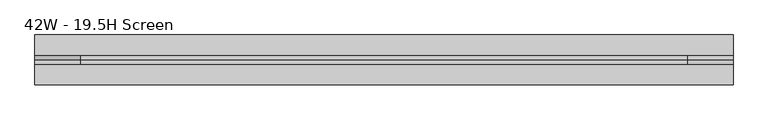
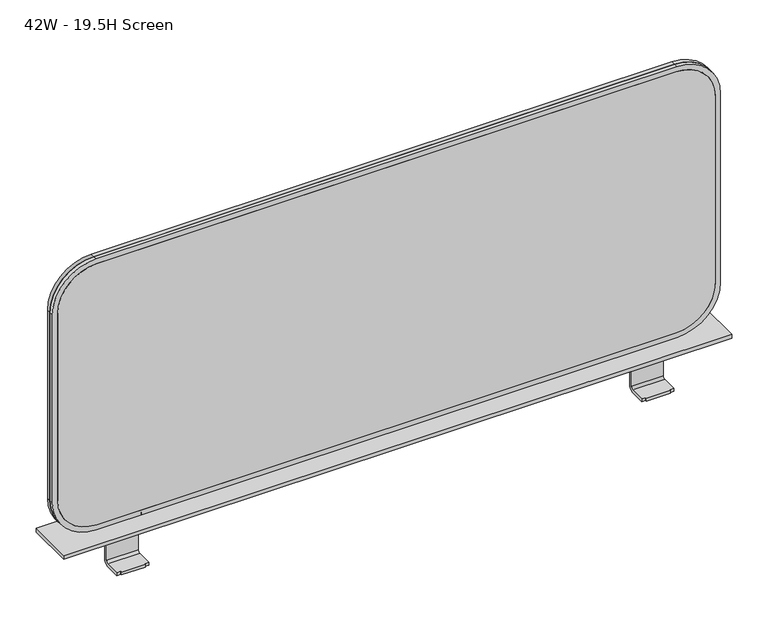
"""IFC4 building model written with IfcOpenShell, lengths in millimetres: furniture geometry, 42W - 19.5H Screen."""

from ifc_helpers import new_model, si_unit, point, frame, frame_2d, origin, place, context, project, spatial, polyline, circle_curve, trimmed, segment, composite_curve, outline, extrude, source, transform, mapped, element, save
from ifc_brep_helpers import plane_surface, cylinder_surface, revolved_surface, advanced_brep


def furniture_42w_19_5h_screen_ccce903b(model_context):
    return source(origin(), model_context, "Body", "SolidModel", [
        advanced_brep(
        [(-444.5000232, 2.4115568, 1012.8475892), (-444.5000232, -6.4788051, 1003.9572273), (-444.5000232, -30.9188868, 1003.9572273), (-444.5000232, -30.9188868, 1008.7826083), (-444.5000232, -6.0706854, 1008.7826083), (-444.5000232, -2.4144376, 1012.4388561), (-444.5000232, -2.4144376, 1073.15), (-444.5000232, 2.4115568, 1073.15), (-393.7000232, 2.4115568, 1012.8475892), (-393.7000232, 2.4115568, 1073.15), (-393.7000232, -2.4144376, 1073.15), (-393.7000232, -2.4144376, 1012.4388561), (-393.7000232, -6.0706854, 1008.7826083), (-393.7000232, -30.9188868, 1008.7826083), (-393.7000232, -30.9188868, 1003.9572273), (-393.7000232, -6.4788051, 1003.9572273), (-438.1500232, -30.9188868, 1008.7826083), (-438.1500232, -32.6945411, 1008.7826083), (-400.0500232, -32.6945411, 1008.7826083), (-400.0500232, -30.9188868, 1008.7826083), (-438.1500232, -32.6945351, 1003.9572273), (-400.0500232, -32.6945351, 1003.9572273), (-400.0500232, -30.9188868, 1003.9572273), (-438.1500232, -30.9188868, 1003.9572273)],
        [
            (0, 1, circle_curve(frame((-444.5000232, -6.4788051, 1012.8475892), z_axis=(-1.0, 0.0, 0.0), x_axis=(0.0, 1.0, 0.0)), 8.8903619)),
            (1, 2),
            (2, 3),
            (3, 4),
            (4, 5, circle_curve(frame((-444.5000232, -6.0706854, 1012.4388561), z_axis=(1.0, 0.0, 0.0), x_axis=(0.0, 1.0, 0.0)), 3.6562478)),
            (5, 6),
            (6, 7),
            (7, 0),
            (8, 9),
            (9, 10),
            (10, 11),
            (11, 12, circle_curve(frame((-393.7000232, -6.0706854, 1012.4388561), z_axis=(-1.0, 0.0, 0.0), x_axis=(0.0, 1.0, 0.0)), 3.6562478)),
            (12, 13),
            (13, 14),
            (14, 15),
            (15, 8, circle_curve(frame((-393.7000232, -6.4788051, 1012.8475892), z_axis=(1.0, 0.0, 0.0), x_axis=(0.0, 1.0, 0.0)), 8.8903619)),
            (7, 9),
            (8, 0),
            (6, 10),
            (5, 11),
            (4, 12),
            (3, 16),
            (16, 17),
            (17, 18),
            (18, 19),
            (19, 13),
            (17, 20),
            (20, 21),
            (21, 18),
            (1, 15),
            (14, 22),
            (22, 21),
            (20, 23),
            (23, 2),
            (16, 23),
            (19, 22),
        ],
        [
            plane_surface(frame((-444.5000232, 2.4115568, 1012.8475892), z_axis=(-1.0, 0.0, 0.0), x_axis=(0.0, 0.0, -1.0))),
            plane_surface(frame((-393.7000232, 2.4115568, 1012.8475892), z_axis=(1.0, 0.0, 0.0), x_axis=(0.0, 0.0, 1.0))),
            plane_surface(frame((-444.5000232, 2.4115568, 1073.15), z_axis=(0.0, 1.0, 0.0), x_axis=(1.0, 0.0, 0.0))),
            plane_surface(frame((-444.5000232, -2.4144376, 1073.15), z_axis=(0.0, 0.0, 1.0), x_axis=(1.0, 0.0, 0.0))),
            plane_surface(frame((-444.5000232, -2.4144376, 1012.4388561), z_axis=(0.0, -1.0, 0.0), x_axis=(1.0, 0.0, 0.0))),
            revolved_surface(polyline([(-393.7000232, -2.4144376000000003, 1012.4388561), (-444.5000232, -2.4144376000000003, 1012.4388561)]), (-393.7000232, -6.0706854, 1012.4388561), (1.0, 0.0, 0.0)),
            plane_surface(frame((-444.5000232, -32.6945411, 1008.7826083), z_axis=(0.0, 0.0, 1.0), x_axis=(1.0, 0.0, 0.0))),
            plane_surface(frame((-444.5000232, -32.6945351, 1003.9572273), z_axis=(0.0, -0.9999999999992129, -1.2548316943467694e-06), x_axis=(1.0, 0.0, 0.0))),
            plane_surface(frame((-444.5000232, -6.4788051, 1003.9572273), z_axis=(0.0, 0.0, -1.0), x_axis=(1.0, 0.0, 0.0))),
            cylinder_surface(frame((-393.7000232, -6.4788051, 1012.8475892), z_axis=(-1.0, 0.0, 0.0), x_axis=(0.0, 1.0, 0.0)), 8.8903619),
            plane_surface(frame((-438.1500232, -107.1188868, 1430.7560196), z_axis=(-1.0, 0.0, 0.0), x_axis=(0.0, 0.0, -1.0))),
            plane_surface(frame((-438.1500232, -30.9188868, 1430.7560196), z_axis=(0.0, -1.0, 0.0), x_axis=(0.0, 0.0, -1.0))),
            plane_surface(frame((-393.7000232, -30.9188868, 1430.7560196), z_axis=(0.0, -1.0, 0.0), x_axis=(0.0, 0.0, -1.0))),
            plane_surface(frame((-400.0500232, -30.9188868, 1430.7560196), z_axis=(1.0, 0.0, 0.0), x_axis=(0.0, 0.0, -1.0))),
        ],
        [
            (0, [[1, 2, 3, 4, 5, 6, 7, 8]]),
            (1, [[9, 10, 11, 12, 13, 14, 15, 16]]),
            (2, [[-8, 17, -9, 18]]),
            (3, [[-7, 19, -10, -17]]),
            (4, [[-6, 20, -11, -19]]),
            (5, [[-5, 21, -12, -20]]),
            (6, [[-21, -4, 22, 23, 24, 25, 26, -13]]),
            (7, [[-24, 27, 28, 29]]),
            (8, [[30, -15, 31, 32, -28, 33, 34, -2]]),
            (9, [[-1, -18, -16, -30]]),
            (10, [[35, -33, -27, -23]]),
            (11, [[-35, -22, -3, -34]]),
            (12, [[36, -31, -14, -26]]),
            (13, [[-36, -25, -29, -32]]),
        ],
    ),
        advanced_brep(
        [(444.4999768, 2.4115568, 1012.8475892), (444.4999768, 2.4115568, 1073.15), (444.4999768, -2.4144376, 1073.15), (444.4999768, -2.4144376, 1012.4388561), (444.4999768, -6.0706854, 1008.7826083), (444.4999768, -30.9188868, 1008.7826083), (444.4999768, -30.9188868, 1003.9572273), (444.4999768, -6.4788051, 1003.9572273), (393.6999768, 2.4115568, 1012.8475892), (393.6999768, -6.4788051, 1003.9572273), (393.6999768, -30.9188868, 1003.9572273), (393.6999768, -30.9188868, 1008.7826083), (393.6999768, -6.0706854, 1008.7826083), (393.6999768, -2.4144376, 1012.4388561), (393.6999768, -2.4144376, 1073.15), (393.6999768, 2.4115568, 1073.15), (400.0500232, -30.9188868, 1008.7826083), (400.0500232, -32.6945411, 1008.7826083), (438.1500232, -32.6945411, 1008.7826083), (438.1500232, -30.9188868, 1008.7826083), (400.0500232, -32.6945351, 1003.9572273), (438.1500232, -32.6945351, 1003.9572273), (438.1500232, -30.9188868, 1003.9572273), (400.0500232, -30.9188868, 1003.9572273)],
        [
            (0, 1),
            (1, 2),
            (2, 3),
            (3, 4, circle_curve(frame((444.4999768, -6.0706854, 1012.4388561), z_axis=(-1.0, 0.0, 0.0), x_axis=(0.0, 1.0, 0.0)), 3.6562478)),
            (4, 5),
            (5, 6),
            (6, 7),
            (7, 0, circle_curve(frame((444.4999768, -6.4788051, 1012.8475892), z_axis=(1.0, 0.0, 0.0), x_axis=(0.0, 1.0, 0.0)), 8.8903619)),
            (8, 9, circle_curve(frame((393.6999768, -6.4788051, 1012.8475892), z_axis=(-1.0, 0.0, 0.0), x_axis=(0.0, 1.0, 0.0)), 8.8903619)),
            (9, 10),
            (10, 11),
            (11, 12),
            (12, 13, circle_curve(frame((393.6999768, -6.0706854, 1012.4388561), z_axis=(1.0, 0.0, 0.0), x_axis=(0.0, 1.0, 0.0)), 3.6562478)),
            (13, 14),
            (14, 15),
            (15, 8),
            (0, 8),
            (15, 1),
            (14, 2),
            (13, 3),
            (12, 4),
            (11, 16),
            (16, 17),
            (17, 18),
            (18, 19),
            (19, 5),
            (17, 20),
            (20, 21),
            (21, 18),
            (9, 7),
            (6, 22),
            (22, 21),
            (20, 23),
            (23, 10),
            (19, 22),
            (16, 23),
        ],
        [
            plane_surface(frame((444.4999768, 2.4115568, 1073.15), z_axis=(1.0, 0.0, 0.0), x_axis=(0.0, 0.0, 1.0))),
            plane_surface(frame((393.6999768, 2.4115568, 1073.15), z_axis=(-1.0, 0.0, 0.0), x_axis=(0.0, 0.0, -1.0))),
            plane_surface(frame((444.4999768, 2.4115568, 1012.8475892), z_axis=(0.0, 1.0, 0.0), x_axis=(-1.0, 0.0, 0.0))),
            plane_surface(frame((444.4999768, 2.4115568, 1073.15), z_axis=(0.0, 0.0, 1.0), x_axis=(-1.0, 0.0, 0.0))),
            plane_surface(frame((444.4999768, -2.4144376, 1073.15), z_axis=(0.0, -1.0, 0.0), x_axis=(-1.0, 0.0, 0.0))),
            revolved_surface(polyline([(393.6999768, -2.4144376000000003, 1012.4388561), (444.4999768, -2.4144376000000003, 1012.4388561)]), (393.6999768, -6.0706854, 1012.4388561), (-1.0, 0.0, 0.0)),
            plane_surface(frame((444.4999768, -6.0706854, 1008.7826083), z_axis=(0.0, 0.0, 1.0), x_axis=(-1.0, 0.0, 0.0))),
            plane_surface(frame((444.4999768, -32.6945411, 1008.7826083), z_axis=(0.0, -0.9999999999992129, -1.2548316943467694e-06), x_axis=(-1.0, 0.0, 0.0))),
            plane_surface(frame((444.4999768, -32.6945351, 1003.9572273), z_axis=(0.0, 0.0, -1.0), x_axis=(-1.0, 0.0, 0.0))),
            cylinder_surface(frame((393.6999768, -6.4788051, 1012.8475892), z_axis=(1.0, 0.0, 0.0), x_axis=(0.0, 1.0, 0.0)), 8.8903619),
            plane_surface(frame((444.4999768, -30.9188868, 1430.7560196), z_axis=(0.0, -1.0, 0.0), x_axis=(0.0, 0.0, -1.0))),
            plane_surface(frame((438.1500232, -30.9188868, 1430.7560196), z_axis=(1.0, 0.0, 0.0), x_axis=(0.0, 0.0, -1.0))),
            plane_surface(frame((400.0500232, -107.1188868, 1430.7560196), z_axis=(-1.0, 0.0, 0.0), x_axis=(0.0, 0.0, -1.0))),
            plane_surface(frame((400.0500232, -30.9188868, 1430.7560196), z_axis=(0.0, -1.0, 0.0), x_axis=(0.0, 0.0, -1.0))),
        ],
        [
            (0, [[1, 2, 3, 4, 5, 6, 7, 8]]),
            (1, [[9, 10, 11, 12, 13, 14, 15, 16]]),
            (2, [[-1, 17, -16, 18]]),
            (3, [[-2, -18, -15, 19]]),
            (4, [[-3, -19, -14, 20]]),
            (5, [[-4, -20, -13, 21]]),
            (6, [[-21, -12, 22, 23, 24, 25, 26, -5]]),
            (7, [[-24, 27, 28, 29]]),
            (8, [[30, -7, 31, 32, -28, 33, 34, -10]]),
            (9, [[-8, -30, -9, -17]]),
            (10, [[35, -31, -6, -26]]),
            (11, [[-35, -25, -29, -32]]),
            (12, [[36, -33, -27, -23]]),
            (13, [[-36, -22, -11, -34]]),
        ],
    ),
        extrude(outline(composite_curve([segment(trimmed(circle_curve(frame_2d((1459.7798985, -462.7723701)), 62.1881015), [point((1521.968, -462.7723701))], [point((1459.7798985, -524.9604715))], False, "CARTESIAN"), True, "CONTINUOUS"), segment(polyline([(1459.7798985, -524.9604715), (1143.8196506, -524.9604715)]), True, "CONTINUOUS"), segment(trimmed(circle_curve(frame_2d((1143.8196506, -462.7310034)), 62.2294681), [point((1143.8196506, -524.9604715))], [point((1081.5901825, -462.7310034))], False, "CARTESIAN"), True, "CONTINUOUS"), segment(polyline([(1081.5901825, -462.7310034), (1081.5901825, 462.7309571)]), True, "CONTINUOUS"), segment(trimmed(circle_curve(frame_2d((1143.819697, 462.7309571)), 62.2295145), [point((1081.5901825, 462.7309571))], [point((1143.819697, 524.9604715))], False, "CARTESIAN"), True, "CONTINUOUS"), segment(polyline([(1143.819697, 524.9604715), (1459.7798522, 524.9604715)]), True, "CONTINUOUS"), segment(trimmed(circle_curve(frame_2d((1459.7798522, 462.7723237)), 62.1881478), [point((1459.7798522, 524.9604715))], [point((1521.968, 462.7723237))], False, "CARTESIAN"), True, "CONTINUOUS"), segment(polyline([(1521.968, 462.7723237), (1521.968, -462.7723701)]), True, "CONTINUOUS")], self_intersect=False)), frame((0.0, 0.0, 0.0), z_axis=(0.0, 1.0, 0.0), x_axis=(0.0, 0.0, 1.0)), (0.0, 0.0, 1.0), 6.6302155),
        extrude(outline(composite_curve([segment(polyline([(1530.35, 463.5504855), (1530.35, -463.5505319)]), True, "CONTINUOUS"), segment(trimmed(circle_curve(frame_2d((1460.5005319, -463.5505319)), 69.8494681), [point((1530.35, -463.5505319))], [point((1460.5005319, -533.4))], False, "CARTESIAN"), True, "CONTINUOUS"), segment(polyline([(1460.5005319, -533.4), (1142.9994681, -533.4)]), True, "CONTINUOUS"), segment(trimmed(circle_curve(frame_2d((1142.9994681, -463.5505319)), 69.8494681), [point((1142.9994681, -533.4))], [point((1073.15, -463.5505319))], False, "CARTESIAN"), True, "CONTINUOUS"), segment(polyline([(1073.15, -463.5505319), (1073.15, 463.5504855)]), True, "CONTINUOUS"), segment(trimmed(circle_curve(frame_2d((1142.9995145, 463.5504855)), 69.8495145), [point((1073.15, 463.5504855))], [point((1142.9995145, 533.4))], False, "CARTESIAN"), True, "CONTINUOUS"), segment(polyline([(1142.9995145, 533.4), (1460.5004855, 533.4)]), True, "CONTINUOUS"), segment(trimmed(circle_curve(frame_2d((1460.5004855, 463.5504855)), 69.8495145), [point((1460.5004855, 533.4))], [point((1530.35, 463.5504855))], False, "CARTESIAN"), True, "CONTINUOUS")], self_intersect=False), holes=[composite_curve([segment(polyline([(1081.5901825, 462.7309571), (1081.5901825, -462.7310034)]), True, "CONTINUOUS"), segment(trimmed(circle_curve(frame_2d((1143.8196506, -462.7310034)), 62.2294681), [point((1081.5901825, -462.7310034))], [point((1143.8196506, -524.9604715))], True, "CARTESIAN"), True, "CONTINUOUS"), segment(polyline([(1143.8196506, -524.9604715), (1459.7798985, -524.9604715)]), True, "CONTINUOUS"), segment(trimmed(circle_curve(frame_2d((1459.7798985, -462.7723701)), 62.1881015), [point((1459.7798985, -524.9604715))], [point((1521.968, -462.7723701))], True, "CARTESIAN"), True, "CONTINUOUS"), segment(polyline([(1521.968, -462.7723701), (1521.968, 462.7723237)]), True, "CONTINUOUS"), segment(trimmed(circle_curve(frame_2d((1459.7798522, 462.7723237)), 62.1881478), [point((1521.968, 462.7723237))], [point((1459.7798522, 524.9604715))], True, "CARTESIAN"), True, "CONTINUOUS"), segment(polyline([(1459.7798522, 524.9604715), (1143.819697, 524.9604715)]), True, "CONTINUOUS"), segment(trimmed(circle_curve(frame_2d((1143.819697, 462.7309571)), 62.2295145), [point((1143.819697, 524.9604715))], [point((1081.5901825, 462.7309571))], True, "CARTESIAN"), True, "CONTINUOUS")], self_intersect=False)]), frame((0.0, 0.0, 0.0), z_axis=(0.0, 1.0, 0.0), x_axis=(0.0, 0.0, 1.0)), (0.0, 0.0, 1.0), 6.6302155),
        extrude(outline(composite_curve([segment(trimmed(circle_curve(frame_2d((1143.819697, 462.7309571)), 62.2295145), [point((1081.5901825, 462.7309571))], [point((1143.819697, 524.9604715))], False, "CARTESIAN"), True, "CONTINUOUS"), segment(polyline([(1143.819697, 524.9604715), (1459.7798522, 524.9604715)]), True, "CONTINUOUS"), segment(trimmed(circle_curve(frame_2d((1459.7798522, 462.7723237)), 62.1881478), [point((1459.7798522, 524.9604715))], [point((1521.968, 462.7723237))], False, "CARTESIAN"), True, "CONTINUOUS"), segment(polyline([(1521.968, 462.7723237), (1521.968, -462.8381817)]), True, "CONTINUOUS"), segment(trimmed(circle_curve(frame_2d((1459.8457101, -462.8381817)), 62.1222899), [point((1521.968, -462.8381817))], [point((1459.8457101, -524.9604715))], False, "CARTESIAN"), True, "CONTINUOUS"), segment(polyline([(1459.8457101, -524.9604715), (1143.8196506, -524.9604715)]), True, "CONTINUOUS"), segment(trimmed(circle_curve(frame_2d((1143.8196506, -462.7310034)), 62.2294681), [point((1143.8196506, -524.9604715))], [point((1081.5901825, -462.7310034))], False, "CARTESIAN"), True, "CONTINUOUS"), segment(polyline([(1081.5901825, -462.7310034), (1081.5901825, 462.7309571)]), True, "CONTINUOUS")], self_intersect=False)), frame((0.0, -6.6302155, 0.0), z_axis=(0.0, 1.0, 0.0), x_axis=(0.0, 0.0, 1.0)), (0.0, 0.0, 1.0), 6.6302155),
        extrude(outline(composite_curve([segment(polyline([(1530.35, 463.5504855), (1530.35, -463.5505319)]), True, "CONTINUOUS"), segment(trimmed(circle_curve(frame_2d((1460.5005319, -463.5505319)), 69.8494681), [point((1530.35, -463.5505319))], [point((1460.5005319, -533.4))], False, "CARTESIAN"), True, "CONTINUOUS"), segment(polyline([(1460.5005319, -533.4), (1142.9994681, -533.4)]), True, "CONTINUOUS"), segment(trimmed(circle_curve(frame_2d((1142.9994681, -463.5505319)), 69.8494681), [point((1142.9994681, -533.4))], [point((1073.15, -463.5505319))], False, "CARTESIAN"), True, "CONTINUOUS"), segment(polyline([(1073.15, -463.5505319), (1073.15, 463.5504855)]), True, "CONTINUOUS"), segment(trimmed(circle_curve(frame_2d((1142.9995145, 463.5504855)), 69.8495145), [point((1073.15, 463.5504855))], [point((1142.9995145, 533.4))], False, "CARTESIAN"), True, "CONTINUOUS"), segment(polyline([(1142.9995145, 533.4), (1460.5004855, 533.4)]), True, "CONTINUOUS"), segment(trimmed(circle_curve(frame_2d((1460.5004855, 463.5504855)), 69.8495145), [point((1460.5004855, 533.4))], [point((1530.35, 463.5504855))], False, "CARTESIAN"), True, "CONTINUOUS")], self_intersect=False), holes=[composite_curve([segment(polyline([(1081.5901825, 462.7309571), (1081.5901825, -462.7310034)]), True, "CONTINUOUS"), segment(trimmed(circle_curve(frame_2d((1143.8196506, -462.7310034)), 62.2294681), [point((1081.5901825, -462.7310034))], [point((1143.8196506, -524.9604715))], True, "CARTESIAN"), True, "CONTINUOUS"), segment(polyline([(1143.8196506, -524.9604715), (1459.7798985, -524.9604715)]), True, "CONTINUOUS"), segment(trimmed(circle_curve(frame_2d((1459.7798985, -462.7723701)), 62.1881015), [point((1459.7798985, -524.9604715))], [point((1521.968, -462.7723701))], True, "CARTESIAN"), True, "CONTINUOUS"), segment(polyline([(1521.968, -462.7723701), (1521.968, 462.7723237)]), True, "CONTINUOUS"), segment(trimmed(circle_curve(frame_2d((1459.7798522, 462.7723237)), 62.1881478), [point((1521.968, 462.7723237))], [point((1459.7798522, 524.9604715))], True, "CARTESIAN"), True, "CONTINUOUS"), segment(polyline([(1459.7798522, 524.9604715), (1143.819697, 524.9604715)]), True, "CONTINUOUS"), segment(trimmed(circle_curve(frame_2d((1143.819697, 462.7309571)), 62.2295145), [point((1143.819697, 524.9604715))], [point((1081.5901825, 462.7309571))], True, "CARTESIAN"), True, "CONTINUOUS")], self_intersect=False)]), frame((0.0, -6.6302155, 0.0), z_axis=(0.0, 1.0, 0.0), x_axis=(0.0, 0.0, 1.0)), (0.0, 0.0, 1.0), 6.6302155),
        extrude(outline(polyline([(533.4, 38.1000194), (533.4, -38.1000194), (-533.4, -38.1000194), (-533.4, 38.1000194), (533.4, 38.1000194)]), holes=[composite_curve([segment(polyline([(-392.1191875, 4.442843), (-447.1221214, 4.442843)]), True, "CONTINUOUS"), segment(trimmed(circle_curve(frame_2d((-447.1221214, 0.4804667)), 3.9623763), [point((-447.1221214, 4.442843))], [point((-447.1221221, -3.4819096))], True, "CARTESIAN"), True, "CONTINUOUS"), segment(polyline([(-447.1221221, -3.4819096), (-392.1191882, -3.4819185)]), True, "CONTINUOUS"), segment(trimmed(circle_curve(frame_2d((-392.1191875, 0.4804622)), 3.9623808), [point((-392.1191882, -3.4819185))], [point((-392.1191875, 4.442843))], True, "CARTESIAN"), True, "CONTINUOUS")], self_intersect=False), composite_curve([segment(trimmed(circle_curve(frame_2d((392.1191875, 0.4804622)), 3.9623808), [point((392.1191875, 4.442843))], [point((392.1191882, -3.4819185))], True, "CARTESIAN"), True, "CONTINUOUS"), segment(polyline([(392.1191882, -3.4819185), (447.1221221, -3.4819096)]), True, "CONTINUOUS"), segment(trimmed(circle_curve(frame_2d((447.1221214, 0.4804667)), 3.9623763), [point((447.1221221, -3.4819096))], [point((447.1221214, 4.442843))], True, "CARTESIAN"), True, "CONTINUOUS"), segment(polyline([(447.1221214, 4.442843), (392.1191875, 4.442843)]), True, "CONTINUOUS")], self_intersect=False)]), frame((0.0, 0.0, 1066.8), z_axis=(0.0, 0.0, 1.0), x_axis=(1.0, 0.0, 0.0)), (0.0, 0.0, 1.0), 6.35),
    ])


if __name__ == "__main__":
    model = new_model("IFC4")
    model_context = context("Model", 3, world=origin())
    ifc_project = project(units=[si_unit("LENGTHUNIT", "METRE", prefix="MILLI")], contexts=[model_context])
    site = spatial("IfcSite", under=ifc_project)
    building = spatial("IfcBuilding", under=site)
    placement = place(None, origin())
    furniture_42w_19_5h_screen_shape = furniture_42w_19_5h_screen_ccce903b(model_context)
    element("IfcFurniture", 1, ObjectType="42W - 19.5H Screen", at=placement, inside=building, context=model_context, shape_type="MappedRepresentation", body=[
        mapped(furniture_42w_19_5h_screen_shape, transform((0.0, 0.0, 0.0), x_axis=(1.0, 0.0, 0.0), y_axis=(0.0, 1.0, 0.0), z_axis=(0.0, 0.0, 1.0))),
    ])
    save(model, "model.ifc")
